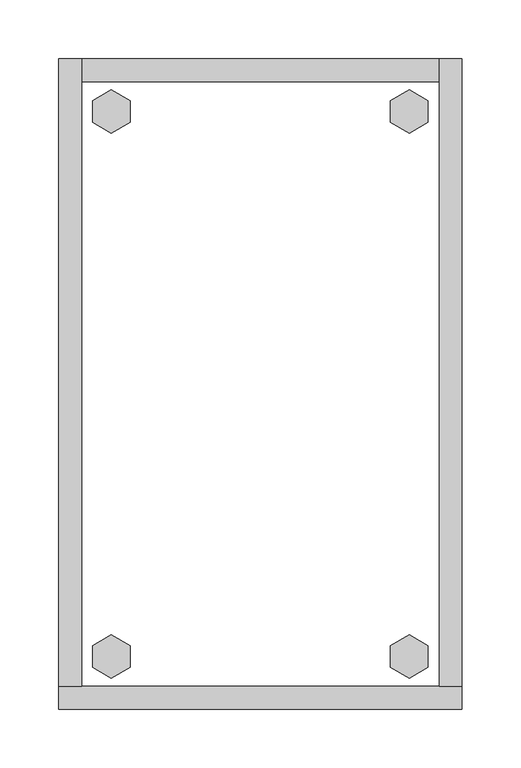
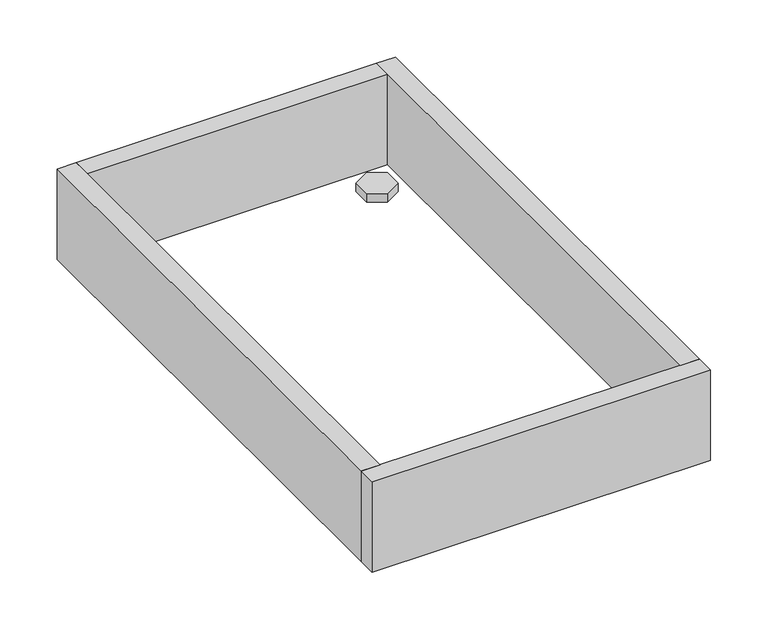
"""IFC4 building model written with IfcOpenShell, lengths in millimetres: furniture geometry."""

from ifc_helpers import new_model, si_unit, frame, origin, origin_with_axes, place, context, project, spatial, polyline, outline, extrude, source, transform, mapped, element, save


def furniture_96bed1a7(model_context):
    return source(origin(), model_context, "Body", "SweptSolid", [
        extrude(outline(polyline([(282.2735422, -498.8179), (298.2214, -489.6104), (314.1692578, -498.8179), (314.1692578, -517.2329), (298.2214, -526.4404), (282.2735422, -517.2329), (282.2735422, -498.8179)])), origin_with_axes(), (0.0, 0.0, 1.0), 9.144),
        extrude(outline(polyline([(282.2735422, -35.4711), (298.2214, -26.2636), (314.1692578, -35.4711), (314.1692578, -53.8861), (298.2214, -63.0936), (282.2735422, -53.8861), (282.2735422, -35.4711)])), origin_with_axes(), (0.0, 0.0, 1.0), 9.144),
        extrude(outline(polyline([(28.7307422, -498.8179), (44.6786, -489.6104), (60.6264578, -498.8179), (60.6264578, -517.2329), (44.6786, -526.4404), (28.7307422, -517.2329), (28.7307422, -498.8179)])), origin_with_axes(), (0.0, 0.0, 1.0), 9.144),
        extrude(outline(polyline([(28.7307422, -35.4711), (44.6786, -26.2636), (60.6264578, -35.4711), (60.6264578, -53.8861), (44.6786, -63.0936), (28.7307422, -53.8861), (28.7307422, -35.4711)])), origin_with_axes(), (0.0, 0.0, 1.0), 9.144),
        extrude(outline(polyline([(19.304, 0.0), (19.304, -533.4), (0.0, -533.4), (0.0, 0.0), (19.304, 0.0)])), frame((0.0, 0.0, 4.699), z_axis=(0.0, 0.0, 1.0), x_axis=(1.0, 0.0, 0.0)), (0.0, 0.0, 1.0), 96.901),
        extrude(outline(polyline([(342.9, 0.0), (342.9, -533.4), (323.596, -533.4), (323.596, 0.0), (342.9, 0.0)])), frame((0.0, 0.0, 4.699), z_axis=(0.0, 0.0, 1.0), x_axis=(1.0, 0.0, 0.0)), (0.0, 0.0, 1.0), 96.901),
        extrude(outline(polyline([(323.596, -19.304), (19.304, -19.304), (19.304, 0.0), (323.596, 0.0), (323.596, -19.304)])), frame((0.0, 0.0, 4.699), z_axis=(0.0, 0.0, 1.0), x_axis=(1.0, 0.0, 0.0)), (0.0, 0.0, 1.0), 96.901),
        extrude(outline(polyline([(342.9, -533.4), (342.9, -552.704), (0.0, -552.704), (0.0, -533.4), (342.9, -533.4)])), frame((0.0, 0.0, 4.699), z_axis=(0.0, 0.0, 1.0), x_axis=(1.0, 0.0, 0.0)), (0.0, 0.0, 1.0), 96.901),
    ])


if __name__ == "__main__":
    model = new_model("IFC4")
    model_context = context("Model", 3, world=origin())
    ifc_project = project(units=[si_unit("LENGTHUNIT", "METRE", prefix="MILLI")], contexts=[model_context])
    site = spatial("IfcSite", under=ifc_project)
    building = spatial("IfcBuilding", under=site)
    placement = place(None, origin())
    furniture_shape = furniture_96bed1a7(model_context)
    element("IfcFurniture", 1, at=placement, inside=building, context=model_context, shape_type="MappedRepresentation", body=[
        mapped(furniture_shape, transform((0.0, 0.0, 0.0), x_axis=(1.0, 0.0, 0.0), y_axis=(0.0, 1.0, 0.0), z_axis=(0.0, 0.0, 1.0))),
    ])
    save(model, "model.ifc")
